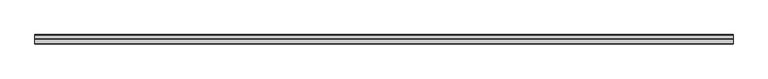
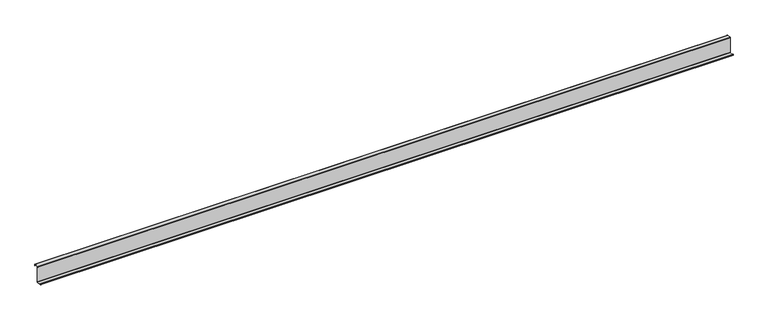
"""IFC4 building model written with IfcOpenShell, lengths in millimetres: member geometry."""

from ifc_helpers import new_model, si_unit, point, frame, frame_2d, origin, place, context, project, spatial, polyline, circle_curve, trimmed, segment, composite_curve, outline, extrude, source, transform, mapped, element, save


def member_2c6138fd(model_context):
    return source(origin(), model_context, "Body", "SweptSolid", [
        extrude(outline(composite_curve([segment(trimmed(circle_curve(frame_2d((-3.5, -123.5)), 3.5), [point((0.0, -123.5))], [point((-3.5, -127.0))], False, "CARTESIAN"), True, "CONTINUOUS"), segment(polyline([(-3.5, -127.0), (-75.0, -127.0)]), True, "CONTINUOUS"), segment(trimmed(circle_curve(frame_2d((-75.0, -123.5)), 3.5), [point((-75.0, -127.0))], [point((-78.5, -123.5))], False, "CARTESIAN"), True, "CONTINUOUS"), segment(polyline([(-78.5, -123.5), (-78.5, -107.5), (-77.0, -107.5), (-77.0, -123.5)]), True, "CONTINUOUS"), segment(trimmed(circle_curve(frame_2d((-75.0, -123.5)), 2.0), [point((-77.0, -123.5))], [point((-75.0, -125.5))], True, "CARTESIAN"), True, "CONTINUOUS"), segment(polyline([(-75.0, -125.5), (-3.5, -125.5)]), True, "CONTINUOUS"), segment(trimmed(circle_curve(frame_2d((-3.5, -123.5)), 2.0), [point((-3.5, -125.5))], [point((-1.5, -123.5))], True, "CARTESIAN"), True, "CONTINUOUS"), segment(polyline([(-1.5, -123.5), (-1.5, 123.5)]), True, "CONTINUOUS"), segment(trimmed(circle_curve(frame_2d((2.0, 123.5)), 3.5), [point((-1.5, 123.5))], [point((2.0, 127.0))], False, "CARTESIAN"), True, "CONTINUOUS"), segment(polyline([(2.0, 127.0), (63.5, 127.0)]), True, "CONTINUOUS"), segment(trimmed(circle_curve(frame_2d((63.5, 123.5)), 3.5), [point((63.5, 127.0))], [point((67.0, 123.5))], False, "CARTESIAN"), True, "CONTINUOUS"), segment(polyline([(67.0, 123.5), (67.0, 107.0), (65.5, 107.0), (65.5, 123.5)]), True, "CONTINUOUS"), segment(trimmed(circle_curve(frame_2d((63.5, 123.5)), 2.0), [point((65.5, 123.5))], [point((63.5, 125.5))], True, "CARTESIAN"), True, "CONTINUOUS"), segment(polyline([(63.5, 125.5), (2.0, 125.5)]), True, "CONTINUOUS"), segment(trimmed(circle_curve(frame_2d((2.0, 123.5)), 2.0), [point((2.0, 125.5))], [point((0.0, 123.5))], True, "CARTESIAN"), True, "CONTINUOUS"), segment(polyline([(0.0, 123.5), (0.0, -123.5)]), True, "CONTINUOUS")], self_intersect=False)), frame((-5443.0, 0.0, 0.0), z_axis=(1.0, 0.0, 0.0), x_axis=(0.0, 1.0, 0.0)), (0.0, 0.0, 1.0), 10886.0),
    ])


if __name__ == "__main__":
    model = new_model("IFC4")
    model_context = context("Model", 3, world=origin())
    ifc_project = project(units=[si_unit("LENGTHUNIT", "METRE", prefix="MILLI")], contexts=[model_context])
    site = spatial("IfcSite", under=ifc_project)
    building = spatial("IfcBuilding", under=site)
    placement = place(None, origin())
    member_shape = member_2c6138fd(model_context)
    element("IfcMember", 1, at=placement, inside=building, context=model_context, shape_type="MappedRepresentation", body=[
        mapped(member_shape, transform((0.0, 0.0, 0.0), x_axis=(1.0, 0.0, 0.0), y_axis=(0.0, 1.0, 0.0), z_axis=(0.0, 0.0, 1.0))),
    ])
    save(model, "model.ifc")
